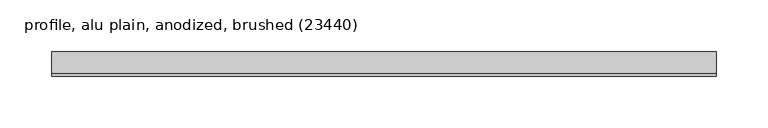
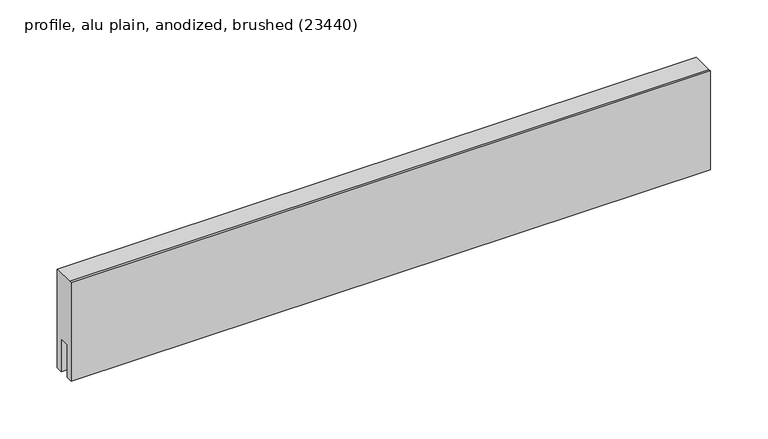
"""IFC4 building model written with IfcOpenShell, lengths in millimetres: proxy geometry, profile, alu plain, anodized, brushed (23440)."""

from ifc_helpers import new_model, si_unit, frame, origin, place, context, project, spatial, polyline, outline, extrude, source, transform, mapped, element, save


def profile_alu_plain_anodized_brushed_23440_a5a2d4c8(model_context):
    return source(origin(), model_context, "Body", "SweptSolid", [
        extrude(outline(polyline([(12.0, 49.0), (12.0, -56.0), (5.0, -56.0), (5.0, -21.0), (-5.0, -21.0), (-5.0, -56.0), (-12.0, -56.0), (-12.0, 49.0), (-9.692747, 49.0), (12.0, 49.0)])), frame((-60.0, 0.0, 0.0), z_axis=(1.0, 0.0, 0.0), x_axis=(0.0, 1.0, 0.0)), (0.0, 0.0, 1.0), 644.375),
    ])


if __name__ == "__main__":
    model = new_model("IFC4")
    model_context = context("Model", 3, world=origin())
    ifc_project = project(units=[si_unit("LENGTHUNIT", "METRE", prefix="MILLI")], contexts=[model_context])
    site = spatial("IfcSite", under=ifc_project)
    building = spatial("IfcBuilding", under=site)
    placement = place(None, origin())
    profile_alu_plain_anodized_brushed_23440_shape = profile_alu_plain_anodized_brushed_23440_a5a2d4c8(model_context)
    element("IfcBuildingElementProxy", 1, Name="profile, alu plain, anodized, brushed (23440)", ObjectType="profile, alu plain, anodized, brushed (23440)", at=placement, inside=building, context=model_context, shape_type="MappedRepresentation", body=[
        mapped(profile_alu_plain_anodized_brushed_23440_shape, transform((0.0, 0.0, 0.0), x_axis=(1.0, 0.0, 0.0), y_axis=(0.0, 1.0, 0.0), z_axis=(0.0, 0.0, 1.0))),
    ])
    save(model, "model.ifc")
